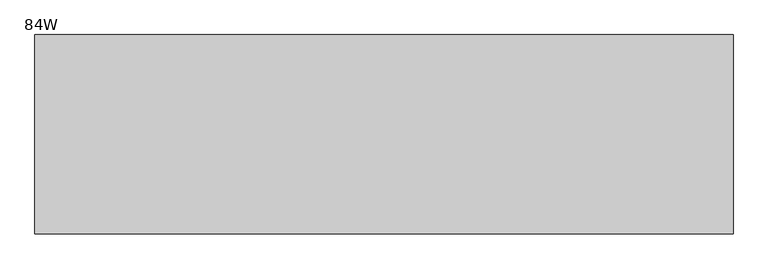
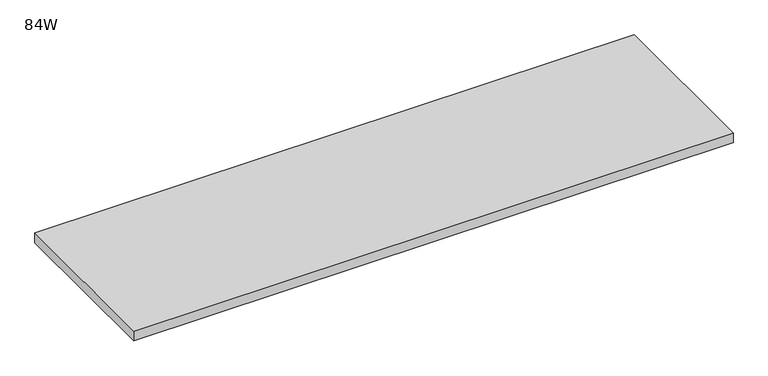
"""IFC4 building model written with IfcOpenShell, lengths in millimetres: furniture geometry, 84W."""

from ifc_helpers import new_model, si_unit, frame, origin, place, context, project, spatial, polyline, outline, extrude, source, transform, mapped, element, save


def furniture_84w_eac60f4e(model_context):
    return source(origin(), model_context, "Body", "SweptSolid", [
        extrude(outline(polyline([(2133.6, 0.0), (2133.6, -609.6), (0.0, -609.6), (0.0, 0.0), (2133.6, 0.0)])), frame((0.0, 0.0, 688.1749), z_axis=(0.0, 0.0, 1.0), x_axis=(1.0, 0.0, 0.0)), (0.0, 0.0, 1.0), 36.322),
    ])


if __name__ == "__main__":
    model = new_model("IFC4")
    model_context = context("Model", 3, world=origin())
    ifc_project = project(units=[si_unit("LENGTHUNIT", "METRE", prefix="MILLI")], contexts=[model_context])
    site = spatial("IfcSite", under=ifc_project)
    building = spatial("IfcBuilding", under=site)
    placement = place(None, origin())
    furniture_84w_shape = furniture_84w_eac60f4e(model_context)
    element("IfcFurniture", 1, ObjectType="84W", at=placement, inside=building, context=model_context, shape_type="MappedRepresentation", body=[
        mapped(furniture_84w_shape, transform((0.0, 0.0, 0.0), x_axis=(1.0, 0.0, 0.0), y_axis=(0.0, 1.0, 0.0), z_axis=(0.0, 0.0, 1.0))),
    ])
    save(model, "model.ifc")
